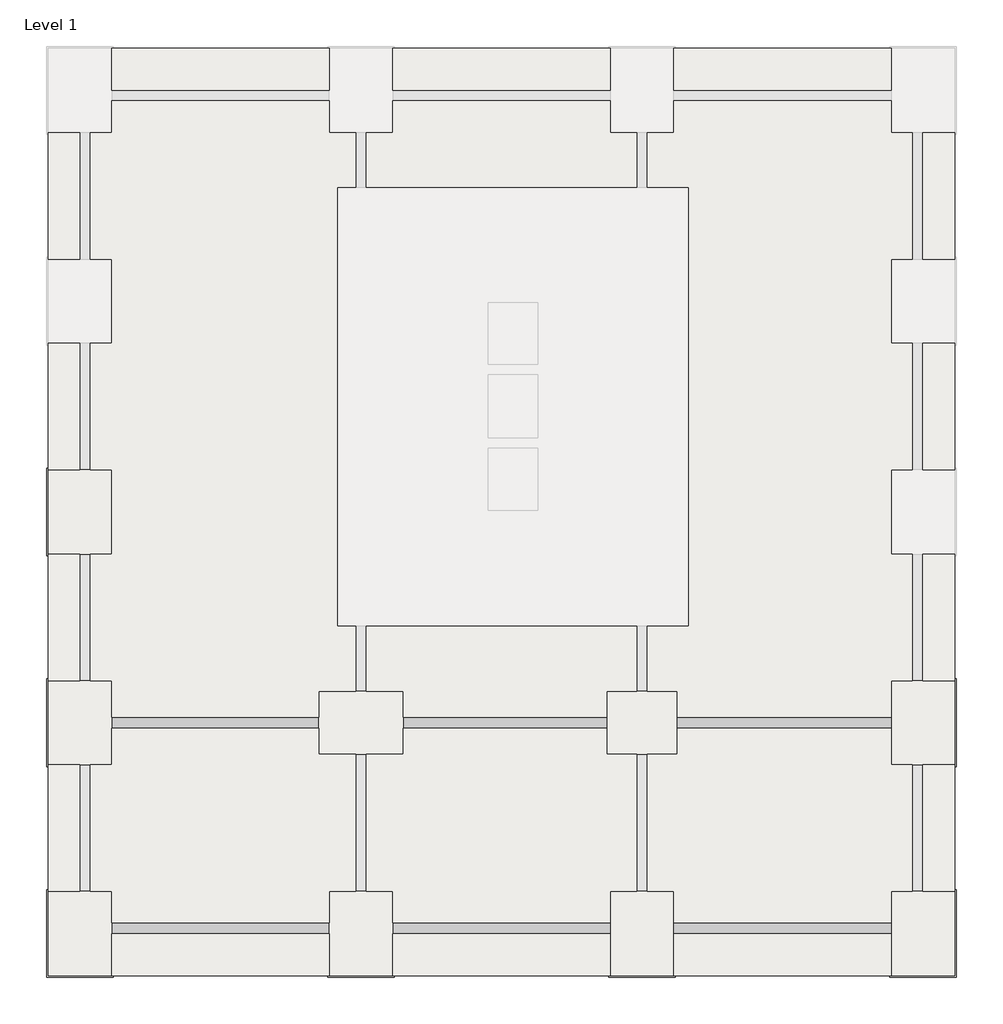
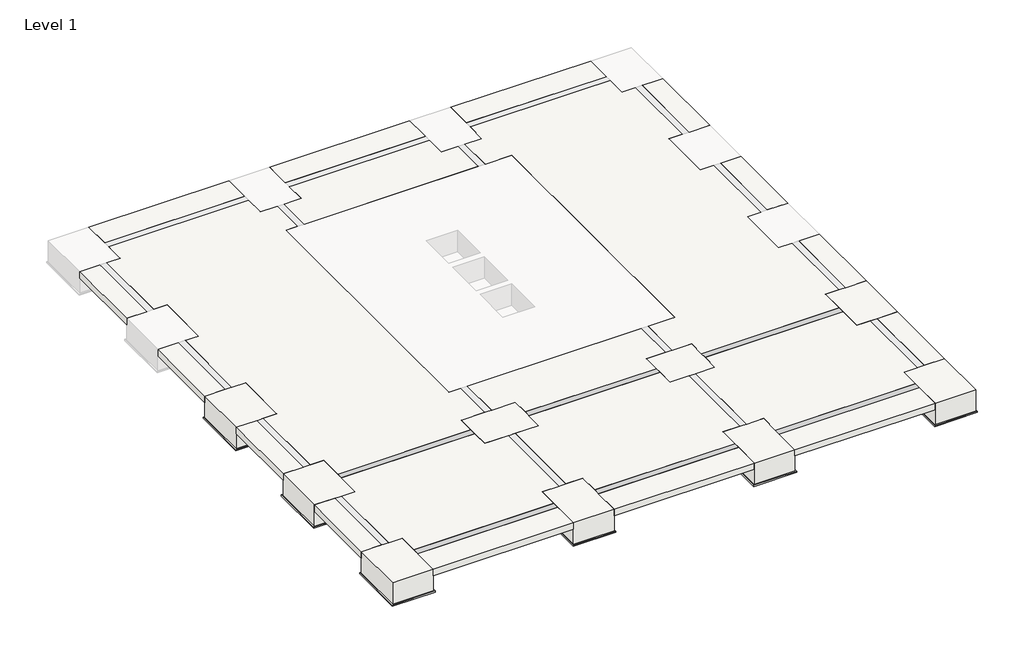
# One storey, part 1 of 2: 10 slabs, 2 beams.
"""IFC4 building model written with IfcOpenShell, lengths in millimetres."""

import ifcopenshell
import ifcopenshell.guid

model = None  # the IFC model being written
_history = None  # IfcOwnerHistory: only IFC2X3 demands one
_inside = {}  # id of a spatial element -> (the spatial element, [elements in it])
_under = {}  # id of a project, library or spatial element -> (it, [spatial elements below it])
_declared = {}  # id of a project -> (the project, [libraries it declares])
_typed = {}  # id of a type object -> (the type object, [elements of that type])
_made_of = {}  # id of a material, layer set ... -> (it, [elements and type objects made of it])


def new_model(schema):
    """Start an empty IFC model of exactly this schema.

    Asked for "IFC4X3", IfcOpenShell would pick the latest addendum, in which some entities
    have other attributes; the version numbers below select the first issue.
    IFC2X3 requires an IfcOwnerHistory on every rooted entity: one is made here for all.
    """
    global model, _history
    if schema == "IFC4X3":
        model = ifcopenshell.file(schema_version=(4, 3, 0, 0))
    else:
        model = ifcopenshell.file(schema=schema)
    _inside.clear()
    _under.clear()
    _declared.clear()
    _typed.clear()
    _made_of.clear()
    _history = None
    if model.schema == "IFC2X3":
        org = make("IfcOrganization", Name="unknown")
        user = make(
            "IfcPersonAndOrganization",
            ThePerson=make("IfcPerson", FamilyName="unknown"),
            TheOrganization=org,
        )
        app = make(
            "IfcApplication",
            ApplicationDeveloper=org,
            Version="unknown",
            ApplicationFullName="unknown",
            ApplicationIdentifier="unknown",
        )
        _history = make(
            "IfcOwnerHistory",
            OwningUser=user,
            OwningApplication=app,
            ChangeAction="ADDED",
            CreationDate=0,
        )
    return model


def make(cls, **values):
    """One entity of the class cls with the attributes given. An attribute that is None is left unset."""
    return model.create_entity(
        cls, **{name: value for name, value in values.items() if value is not None}
    )


def rooted(cls, **values):
    """An entity with a GlobalId (a new one), such as an element, a storey or a relation."""
    return make(cls, GlobalId=ifcopenshell.guid.new(), OwnerHistory=_history, **values)


def si_unit(unit_type, name, prefix=None):
    """IfcSIUnit, for example si_unit("LENGTHUNIT", "METRE", prefix="MILLI")."""
    return make("IfcSIUnit", UnitType=unit_type, Prefix=prefix, Name=name)


def assignment(units):
    """IfcUnitAssignment: the units of a project."""
    return None if units is None else make("IfcUnitAssignment", Units=units)


def point(xyz):
    """IfcCartesianPoint."""
    return None if xyz is None else make("IfcCartesianPoint", Coordinates=xyz)


def direction(xyz):
    """IfcDirection."""
    return None if xyz is None else make("IfcDirection", DirectionRatios=xyz)


def frame(location, z_axis=None, x_axis=None):
    """IfcAxis2Placement3D, a coordinate frame: its origin and axes. An axis left out is left unset."""
    return make(
        "IfcAxis2Placement3D",
        Location=point(location),
        Axis=direction(z_axis),
        RefDirection=direction(x_axis),
    )


def origin():
    """The frame at (0, 0, 0) with its axes left unset."""
    return frame((0.0, 0.0, 0.0))


def place(relative_to, where):
    """IfcLocalPlacement: puts the frame where relative to a parent placement (None: the world)."""
    return make(
        "IfcLocalPlacement", PlacementRelTo=relative_to, RelativePlacement=where
    )


def context(
    kind, dimensions, precision=None, world=None, true_north=None, identifier=None
):
    """IfcGeometricRepresentationContext, for example the 3D "Model" context."""
    return make(
        "IfcGeometricRepresentationContext",
        ContextIdentifier=identifier,
        ContextType=kind,
        CoordinateSpaceDimension=dimensions,
        Precision=precision,
        WorldCoordinateSystem=world,
        TrueNorth=true_north,
    )


def project(units=None, contexts=None):
    """IfcProject with its units and contexts."""
    return rooted(
        "IfcProject",
        Name="project",
        RepresentationContexts=contexts,
        UnitsInContext=assignment(units),
    )


def spatial(cls, under=None, at=None, **own):
    """A site, building, storey or space (cls), placed at a placement, below another one or the project."""
    s = rooted(cls, ObjectPlacement=at, **own)
    if under is not None:
        _under.setdefault(under.id(), (under, []))[1].append(s)
    return s


def polyline(points):
    """IfcPolyline through the points."""
    return make("IfcPolyline", Points=[point(p) for p in points])


def outline(outer, holes=None, kind="AREA"):
    """IfcArbitraryClosedProfileDef: a profile drawn as a closed curve; with holes, ...WithVoids."""
    if holes is None:
        return make("IfcArbitraryClosedProfileDef", ProfileType=kind, OuterCurve=outer)
    return make(
        "IfcArbitraryProfileDefWithVoids",
        ProfileType=kind,
        OuterCurve=outer,
        InnerCurves=holes,
    )


def extrude(swept, where, along, depth):
    """IfcExtrudedAreaSolid: the profile swept, set in the frame where, extruded along a direction by depth."""
    return make(
        "IfcExtrudedAreaSolid",
        SweptArea=swept,
        Position=where,
        ExtrudedDirection=direction(along),
        Depth=depth,
    )


def faces_of(points, faces, orient=None, outer=None):
    """IfcFace entities. A face is a list of loops; a loop is a list of indices into points, from 0.

    orient and outer hold one flag for each loop. By default every Orientation is true, the
    first loop of a face is its IfcFaceOuterBound and the others are IfcFaceBound.
    """
    made = []
    for i, loops in enumerate(faces):
        bounds = []
        for j, loop in enumerate(loops):
            is_outer = j == 0 if outer is None else outer[i][j]
            bounds.append(
                make(
                    "IfcFaceOuterBound" if is_outer else "IfcFaceBound",
                    Bound=make("IfcPolyLoop", Polygon=[points[k] for k in loop]),
                    Orientation=True if orient is None else orient[i][j],
                )
            )
        made.append(make("IfcFace", Bounds=bounds))
    return made


def faceted_brep(points, faces, orient=None, outer=None, voids=None):
    """IfcFacetedBrep: a solid bounded by flat faces; with voids (closed shells), ...WithVoids."""
    shared = [point(p) for p in points]
    hull = make("IfcClosedShell", CfsFaces=faces_of(shared, faces, orient, outer))
    if voids is None:
        return make("IfcFacetedBrep", Outer=hull)
    return make(
        "IfcFacetedBrepWithVoids",
        Outer=hull,
        Voids=[
            make(cls, CfsFaces=faces_of(shared, fs, o, b)) for cls, fs, o, b in voids
        ],
    )


def shape(context_of_items, identifier, shape_type, items):
    """IfcShapeRepresentation: the items that make up one representation, for example the "Body"."""
    return make(
        "IfcShapeRepresentation",
        ContextOfItems=context_of_items,
        RepresentationIdentifier=identifier,
        RepresentationType=shape_type,
        Items=items,
    )


def made_of(thing, what):
    """Note that an element or type object is made of a material, layer set ...; save() writes the relation."""
    if what is not None:
        _made_of.setdefault(what.id(), (what, []))[1].append(thing)
    return thing


def element(
    cls,
    number,
    at=None,
    inside=None,
    cuts=None,
    type_object=None,
    material=None,
    context=None,
    identifier="Body",
    shape_type=None,
    held_by="IfcProductDefinitionShape",
    body=None,
    shapes=None,
    **own,
):
    """One element of the class cls, such as IfcWall. Its Tag is "e" and its number.

    at: its placement. inside: the storey or other place that contains it. cuts: it is an
    opening in that element (IfcRelVoidsElement). A single representation is given by context,
    identifier, shape_type and body (its items); several are given by shapes. held_by: the class
    of the entity that holds the representations. save() writes the other relations.
    """
    e = rooted(cls, Tag="e%d" % number, ObjectPlacement=at, **own)
    if body is not None:
        shapes = [shape(context, identifier, shape_type, body)]
    if shapes is not None:
        e.Representation = make(held_by, Representations=shapes)
    if inside is not None:
        _inside.setdefault(inside.id(), (inside, []))[1].append(e)
    if cuts is not None:
        rooted(
            "IfcRelVoidsElement", RelatingBuildingElement=cuts, RelatedOpeningElement=e
        )
    if type_object is not None:
        _typed.setdefault(type_object.id(), (type_object, []))[1].append(e)
    return made_of(e, material)


def aggregate(whole, parts):
    """IfcRelAggregates: a whole, such as a stair, and the parts it consists of."""
    return rooted("IfcRelAggregates", RelatingObject=whole, RelatedObjects=parts)


def save(model, path):
    """Write the relations noted so far, then the file.

    IfcRelAggregates (storeys below a building ...), IfcRelContainedInSpatialStructure (elements
    in a storey), IfcRelDefinesByType, IfcRelAssociatesMaterial and IfcRelDeclares: one each for
    every whole, place, type object, material and project.
    """
    for whole, parts in _under.values():
        aggregate(whole, parts)
    for where, things in _inside.values():
        rooted(
            "IfcRelContainedInSpatialStructure",
            RelatedElements=things,
            RelatingStructure=where,
        )
    for kind, things in _typed.values():
        rooted("IfcRelDefinesByType", RelatedObjects=things, RelatingType=kind)
    for what, things in _made_of.values():
        rooted("IfcRelAssociatesMaterial", RelatedObjects=things, RelatingMaterial=what)
    for by, libraries in _declared.values():
        rooted("IfcRelDeclares", RelatingContext=by, RelatedDefinitions=libraries)
    model.write(path)


model = new_model("IFC4")

# Units and contexts
model_context = context("Model", 3, world=origin())
ifc_project = project(units=[si_unit("LENGTHUNIT", "METRE", prefix="MILLI")], contexts=[model_context])

# Site, building, storey
site = spatial("IfcSite", under=ifc_project)
building = spatial("IfcBuilding", under=site)
storey = spatial("IfcBuildingStorey", under=building, Name="Level 1", Elevation=0.0)

# Beams
placement = place(None, origin())
element("IfcBeam", 1, ObjectType="M_Concrete-Rectangular Beam : 300 x 600mm", at=placement, inside=storey, context=model_context, shape_type="Brep", body=[
    faceted_brep([(-11186.9856503, -10804.8161303, 0.0), (-4986.9856503, -10804.8161303, 0.0), (-4986.9856503, -10504.8161303, 0.0), (-11186.9856503, -10504.8161303, 0.0), (-4986.9856503, -10504.8161303, -300.0), (-4986.9856503, -10504.8161303, -600.0), (-11186.9856503, -10504.8161303, -600.0), (-11186.9856503, -10504.8161303, -300.0), (-4986.9856503, -10804.8161303, -600.0), (-11186.9856503, -10804.8161303, -600.0), (-11186.9856503, -10804.8161303, -300.0), (-4986.9856503, -10804.8161303, -300.0)], [[[0, 1, 2, 3]], [[3, 2, 4, 5, 6, 7]], [[6, 5, 8, 9]], [[1, 0, 10, 9, 8, 11]], [[0, 3, 7, 6, 9, 10]], [[2, 1, 11, 8, 5, 4]]]),
    faceted_brep([(3013.0143497, -10504.8161303, 0.0), (-3186.9856503, -10504.8161303, 0.0), (-3186.9856503, -10804.8161303, 0.0), (3013.0143497, -10804.8161303, 0.0), (3013.0143497, -10504.8161303, -300.0), (3013.0143497, -10504.8161303, -600.0), (-3186.9856503, -10504.8161303, -600.0), (-3186.9856503, -10504.8161303, -300.0), (3013.0143497, -10804.8161303, -600.0), (-3186.9856503, -10804.8161303, -600.0), (-3186.9856503, -10804.8161303, -300.0), (3013.0143497, -10804.8161303, -300.0)], [[[0, 1, 2, 3]], [[1, 0, 4, 5, 6, 7]], [[6, 5, 8, 9]], [[3, 2, 10, 9, 8, 11]], [[2, 1, 7, 6, 9, 10]], [[0, 3, 11, 8, 5, 4]]]),
    faceted_brep([(4813.0143497, -10504.8161303, 0.0), (4813.0143497, -10804.8161303, 0.0), (11013.0143497, -10804.8161303, 0.0), (11013.0143497, -10504.8161303, 0.0), (4813.0143497, -10504.8161303, -600.0), (4813.0143497, -10504.8161303, -300.0), (11013.0143497, -10504.8161303, -300.0), (11013.0143497, -10504.8161303, -600.0), (4813.0143497, -10804.8161303, -600.0), (11013.0143497, -10804.8161303, -600.0), (4813.0143497, -10804.8161303, -300.0), (11013.0143497, -10804.8161303, -300.0)], [[[0, 1, 2, 3]], [[4, 5, 0, 3, 6, 7]], [[8, 4, 7, 9]], [[1, 10, 8, 9, 11, 2]], [[1, 0, 5, 4, 8, 10]], [[3, 2, 11, 9, 7, 6]]]),
])
element("IfcBeam", 2, ObjectType="M_Concrete-Rectangular Beam : 300 x 600mm", at=placement, inside=storey, context=model_context, shape_type="Brep", body=[
    faceted_brep([(4913.0143497, -4654.8161303, 0.0), (4913.0143497, -4954.8161303, 0.0), (11013.0143497, -4954.8161303, 0.0), (11013.0143497, -4654.8161303, 0.0), (4913.0143497, -4954.8161303, -300.0), (4913.0143497, -4954.8161303, -600.0), (11013.0143497, -4954.8161303, -600.0), (11013.0143497, -4954.8161303, -300.0), (4913.0143497, -4654.8161303, -600.0), (11013.0143497, -4654.8161303, -600.0), (4913.0143497, -4654.8161303, -300.0), (11013.0143497, -4654.8161303, -300.0)], [[[0, 1, 2, 3]], [[1, 4, 5, 6, 7, 2]], [[5, 8, 9, 6]], [[8, 10, 0, 3, 11, 9]], [[1, 0, 10, 8, 5, 4]], [[3, 2, 7, 6, 9, 11]]]),
    faceted_brep([(-11186.9856503, -4954.8161303, 0.0), (-11186.9856503, -4654.8161303, 0.0), (-11186.9856503, -4654.8161303, -300.0), (-11186.9856503, -4654.8161303, -600.0), (-11186.9856503, -4954.8161303, -600.0), (-11186.9856503, -4954.8161303, -300.0), (-5286.9856503, -4654.8161303, 0.0), (-5286.9856503, -4954.8161303, 0.0), (-5286.9856503, -4954.8161303, -300.0), (-5286.9856503, -4954.8161303, -600.0), (-5286.9856503, -4654.8161303, -600.0), (-5286.9856503, -4654.8161303, -300.0)], [[[0, 1, 2, 3, 4, 5]], [[6, 7, 8, 9, 10, 11]], [[1, 0, 7, 6]], [[0, 5, 4, 9, 8, 7]], [[4, 3, 10, 9]], [[3, 2, 1, 6, 11, 10]]]),
    faceted_brep([(-2886.9856503, -4954.8161303, 0.0), (-2886.9856503, -4654.8161303, 0.0), (-2886.9856503, -4654.8161303, -300.0), (-2886.9856503, -4654.8161303, -600.0), (-2886.9856503, -4954.8161303, -600.0), (-2886.9856503, -4954.8161303, -300.0), (2913.0143497, -4654.8161303, 0.0), (2913.0143497, -4954.8161303, 0.0), (2913.0143497, -4954.8161303, -300.0), (2913.0143497, -4954.8161303, -600.0), (2913.0143497, -4654.8161303, -600.0), (2913.0143497, -4654.8161303, -300.0)], [[[0, 1, 2, 3, 4, 5]], [[6, 7, 8, 9, 10, 11]], [[1, 0, 7, 6]], [[0, 5, 4, 9, 8, 7]], [[4, 3, 10, 9]], [[3, 2, 1, 6, 11, 10]]]),
])

# Slabs
element("IfcSlab", 3, ObjectType="M_Footing-Rectangular : 2000 x 1800 x 1000mm", at=placement, inside=storey, context=model_context, shape_type="SolidModel", body=[
    faceted_brep([(2913.0143497, -3904.8161303, 0.0), (2913.0143497, -4654.8161303, 0.0), (2913.0143497, -4954.8161303, 0.0), (2913.0143497, -5704.8161303, 0.0), (3763.0143497, -5704.8161303, 0.0), (4063.0143497, -5704.8161303, 0.0), (4913.0143497, -5704.8161303, 0.0), (4913.0143497, -4954.8161303, 0.0), (4913.0143497, -4654.8161303, 0.0), (4913.0143497, -3904.8161303, 0.0), (4063.0143497, -3904.8161303, 0.0), (3763.0143497, -3904.8161303, 0.0), (2913.0143497, -3904.8161303, -1000.0), (4913.0143497, -3904.8161303, -1000.0), (4913.0143497, -5704.8161303, -1000.0), (2913.0143497, -5704.8161303, -1000.0), (2913.0143497, -3904.8161303, -300.0), (2913.0143497, -5704.8161303, -300.0), (4913.0143497, -5704.8161303, -300.0), (4913.0143497, -3904.8161303, -300.0)], [[[0, 1, 2, 3, 4, 5, 6, 7, 8, 9, 10, 11]], [[12, 13, 14, 15]], [[3, 2, 1, 0, 16, 12, 15, 17]], [[6, 5, 4, 3, 17, 15, 14, 18]], [[9, 8, 7, 6, 18, 14, 13, 19]], [[0, 11, 10, 9, 19, 13, 12, 16]]]),
    extrude(outline(polyline([(2863.0143497, -3854.8161303), (4963.0143497, -3854.8161303), (4963.0143497, -5754.8161303), (2863.0143497, -5754.8161303), (2863.0143497, -3854.8161303)])), frame((0.0, 0.0, -1050.0), z_axis=(0.0, 0.0, 1.0), x_axis=(1.0, 0.0, 0.0)), (0.0, 0.0, 1.0), 50.0),
])
element("IfcSlab", 4, ObjectType="M_Footing-Rectangular : 2400 x 1800 x 1000mm", at=placement, inside=storey, context=model_context, shape_type="SolidModel", body=[
    faceted_brep([(-11186.9856503, 2395.1838697, 0.0), (-11786.9856503, 2395.1838697, 0.0), (-12086.9856503, 2395.1838697, 0.0), (-12986.9856503, 2395.1838697, 0.0), (-12986.9856503, -4.8161303, 0.0), (-12086.9856503, -4.8161303, 0.0), (-11786.9856503, -4.8161303, 0.0), (-11186.9856503, -4.8161303, 0.0), (-11186.9856503, 2395.1838697, -1000.0), (-11186.9856503, -4.8161303, -1000.0), (-12986.9856503, -4.8161303, -1000.0), (-12986.9856503, 2395.1838697, -1000.0), (-11186.9856503, 2395.1838697, -300.0), (-12986.9856503, 2395.1838697, -300.0), (-12986.9856503, -4.8161303, -300.0), (-11186.9856503, -4.8161303, -300.0)], [[[0, 1, 2, 3, 4, 5, 6, 7]], [[8, 9, 10, 11]], [[3, 2, 1, 0, 12, 8, 11, 13]], [[4, 3, 13, 11, 10, 14]], [[7, 6, 5, 4, 14, 10, 9, 15]], [[0, 7, 15, 9, 8, 12]]]),
    extrude(outline(polyline([(-11136.9856503, 2445.1838697), (-11136.9856503, -54.8161303), (-13036.9856503, -54.8161303), (-13036.9856503, 2445.1838697), (-11136.9856503, 2445.1838697)])), frame((0.0, 0.0, -1050.0), z_axis=(0.0, 0.0, 1.0), x_axis=(1.0, 0.0, 0.0)), (0.0, 0.0, 1.0), 50.0),
])
element("IfcSlab", 5, ObjectType="M_Footing-Rectangular : 2400 x 1800 x 1000mm", at=placement, inside=storey, context=model_context, shape_type="SolidModel", body=[
    faceted_brep([(-11186.9856503, -3604.8161303, 0.0), (-11786.9856503, -3604.8161303, 0.0), (-12086.9856503, -3604.8161303, 0.0), (-12986.9856503, -3604.8161303, 0.0), (-12986.9856503, -6004.8161303, 0.0), (-12086.9856503, -6004.8161303, 0.0), (-11786.9856503, -6004.8161303, 0.0), (-11186.9856503, -6004.8161303, 0.0), (-11186.9856503, -4954.8161303, 0.0), (-11186.9856503, -4654.8161303, 0.0), (-11186.9856503, -3604.8161303, -1000.0), (-11186.9856503, -6004.8161303, -1000.0), (-12986.9856503, -6004.8161303, -1000.0), (-12986.9856503, -3604.8161303, -1000.0), (-11186.9856503, -3604.8161303, -300.0), (-12986.9856503, -3604.8161303, -300.0), (-12986.9856503, -6004.8161303, -300.0), (-11186.9856503, -6004.8161303, -300.0)], [[[0, 1, 2, 3, 4, 5, 6, 7, 8, 9]], [[10, 11, 12, 13]], [[3, 2, 1, 0, 14, 10, 13, 15]], [[4, 3, 15, 13, 12, 16]], [[7, 6, 5, 4, 16, 12, 11, 17]], [[0, 9, 8, 7, 17, 11, 10, 14]]]),
    extrude(outline(polyline([(-11136.9856503, -3554.8161303), (-11136.9856503, -6054.8161303), (-13036.9856503, -6054.8161303), (-13036.9856503, -3554.8161303), (-11136.9856503, -3554.8161303)])), frame((0.0, 0.0, -1050.0), z_axis=(0.0, 0.0, 1.0), x_axis=(1.0, 0.0, 0.0)), (0.0, 0.0, 1.0), 50.0),
])
element("IfcSlab", 6, ObjectType="M_Footing-Rectangular : 2400 x 1800 x 1000mm", at=placement, inside=storey, context=model_context, shape_type="SolidModel", body=[
    faceted_brep([(-11186.9856503, -9604.8161303, 0.0), (-11786.9856503, -9604.8161303, 0.0), (-12086.9856503, -9604.8161303, 0.0), (-12986.9856503, -9604.8161303, 0.0), (-12986.9856503, -12004.8161303, 0.0), (-11186.9856503, -12004.8161303, 0.0), (-11186.9856503, -10804.8161303, 0.0), (-11186.9856503, -10504.8161303, 0.0), (-11186.9856503, -9604.8161303, -1000.0), (-11186.9856503, -12004.8161303, -1000.0), (-12986.9856503, -12004.8161303, -1000.0), (-12986.9856503, -9604.8161303, -1000.0), (-11186.9856503, -9604.8161303, -300.0), (-12986.9856503, -9604.8161303, -300.0), (-11186.9856503, -12004.8161303, -300.0)], [[[0, 1, 2, 3, 4, 5, 6, 7]], [[8, 9, 10, 11]], [[3, 2, 1, 0, 12, 8, 11, 13]], [[4, 3, 13, 11, 10]], [[5, 4, 10, 9, 14]], [[0, 7, 6, 5, 14, 9, 8, 12]]]),
    extrude(outline(polyline([(-11136.9856503, -9554.8161303), (-11136.9856503, -12054.8161303), (-13036.9856503, -12054.8161303), (-13036.9856503, -9554.8161303), (-11136.9856503, -9554.8161303)])), frame((0.0, 0.0, -1050.0), z_axis=(0.0, 0.0, 1.0), x_axis=(1.0, 0.0, 0.0)), (0.0, 0.0, 1.0), 50.0),
])
element("IfcSlab", 7, ObjectType="M_Footing-Rectangular : 2400 x 1800 x 1000mm", at=placement, inside=storey, context=model_context, shape_type="SolidModel", body=[
    faceted_brep([(-5286.9856503, -3904.8161303, 0.0), (-5286.9856503, -4654.8161303, 0.0), (-5286.9856503, -4954.8161303, 0.0), (-5286.9856503, -5704.8161303, 0.0), (-4236.9856503, -5704.8161303, 0.0), (-3936.9856503, -5704.8161303, 0.0), (-2886.9856503, -5704.8161303, 0.0), (-2886.9856503, -4954.8161303, 0.0), (-2886.9856503, -4654.8161303, 0.0), (-2886.9856503, -3904.8161303, 0.0), (-3936.9856503, -3904.8161303, 0.0), (-4236.9856503, -3904.8161303, 0.0), (-5286.9856503, -3904.8161303, -1000.0), (-2886.9856503, -3904.8161303, -1000.0), (-2886.9856503, -5704.8161303, -1000.0), (-5286.9856503, -5704.8161303, -1000.0), (-5286.9856503, -3904.8161303, -300.0), (-5286.9856503, -5704.8161303, -300.0), (-2886.9856503, -5704.8161303, -300.0), (-2886.9856503, -3904.8161303, -300.0)], [[[0, 1, 2, 3, 4, 5, 6, 7, 8, 9, 10, 11]], [[12, 13, 14, 15]], [[3, 2, 1, 0, 16, 12, 15, 17]], [[6, 5, 4, 3, 17, 15, 14, 18]], [[9, 8, 7, 6, 18, 14, 13, 19]], [[0, 11, 10, 9, 19, 13, 12, 16]]]),
    extrude(outline(polyline([(-5336.9856503, -3854.8161303), (-2836.9856503, -3854.8161303), (-2836.9856503, -5754.8161303), (-5336.9856503, -5754.8161303), (-5336.9856503, -3854.8161303)])), frame((0.0, 0.0, -1050.0), z_axis=(0.0, 0.0, 1.0), x_axis=(1.0, 0.0, 0.0)), (0.0, 0.0, 1.0), 50.0),
])
element("IfcSlab", 8, ObjectType="M_Footing-Rectangular : 2400 x 1800 x 1000mm", at=placement, inside=storey, context=model_context, shape_type="SolidModel", body=[
    faceted_brep([(-3186.9856503, -9604.8161303, 0.0), (-3936.9856503, -9604.8161303, 0.0), (-4236.9856503, -9604.8161303, 0.0), (-4986.9856503, -9604.8161303, 0.0), (-4986.9856503, -10504.8161303, 0.0), (-4986.9856503, -10804.8161303, 0.0), (-4986.9856503, -12004.8161303, 0.0), (-3186.9856503, -12004.8161303, 0.0), (-3186.9856503, -10804.8161303, 0.0), (-3186.9856503, -10504.8161303, 0.0), (-3186.9856503, -9604.8161303, -1000.0), (-3186.9856503, -12004.8161303, -1000.0), (-4986.9856503, -12004.8161303, -1000.0), (-4986.9856503, -9604.8161303, -1000.0), (-3186.9856503, -9604.8161303, -300.0), (-4986.9856503, -9604.8161303, -300.0), (-4986.9856503, -12004.8161303, -300.0), (-3186.9856503, -12004.8161303, -300.0)], [[[0, 1, 2, 3, 4, 5, 6, 7, 8, 9]], [[10, 11, 12, 13]], [[3, 2, 1, 0, 14, 10, 13, 15]], [[6, 5, 4, 3, 15, 13, 12, 16]], [[7, 6, 16, 12, 11, 17]], [[0, 9, 8, 7, 17, 11, 10, 14]]]),
    extrude(outline(polyline([(-3136.9856503, -9554.8161303), (-3136.9856503, -12054.8161303), (-5036.9856503, -12054.8161303), (-5036.9856503, -9554.8161303), (-3136.9856503, -9554.8161303)])), frame((0.0, 0.0, -1050.0), z_axis=(0.0, 0.0, 1.0), x_axis=(1.0, 0.0, 0.0)), (0.0, 0.0, 1.0), 50.0),
])
element("IfcSlab", 9, ObjectType="M_Footing-Rectangular : 2400 x 1800 x 1000mm", at=placement, inside=storey, context=model_context, shape_type="SolidModel", body=[
    faceted_brep([(4813.0143497, -9604.8161303, 0.0), (4063.0143497, -9604.8161303, 0.0), (3763.0143497, -9604.8161303, 0.0), (3013.0143497, -9604.8161303, 0.0), (3013.0143497, -10504.8161303, 0.0), (3013.0143497, -10804.8161303, 0.0), (3013.0143497, -12004.8161303, 0.0), (4813.0143497, -12004.8161303, 0.0), (4813.0143497, -10804.8161303, 0.0), (4813.0143497, -10504.8161303, 0.0), (4813.0143497, -9604.8161303, -1000.0), (4813.0143497, -12004.8161303, -1000.0), (3013.0143497, -12004.8161303, -1000.0), (3013.0143497, -9604.8161303, -1000.0), (4813.0143497, -9604.8161303, -300.0), (3013.0143497, -9604.8161303, -300.0), (3013.0143497, -12004.8161303, -300.0), (4813.0143497, -12004.8161303, -300.0)], [[[0, 1, 2, 3, 4, 5, 6, 7, 8, 9]], [[10, 11, 12, 13]], [[3, 2, 1, 0, 14, 10, 13, 15]], [[6, 5, 4, 3, 15, 13, 12, 16]], [[7, 6, 16, 12, 11, 17]], [[0, 9, 8, 7, 17, 11, 10, 14]]]),
    extrude(outline(polyline([(4863.0143497, -9554.8161303), (4863.0143497, -12054.8161303), (2963.0143497, -12054.8161303), (2963.0143497, -9554.8161303), (4863.0143497, -9554.8161303)])), frame((0.0, 0.0, -1050.0), z_axis=(0.0, 0.0, 1.0), x_axis=(1.0, 0.0, 0.0)), (0.0, 0.0, 1.0), 50.0),
])
element("IfcSlab", 10, ObjectType="M_Footing-Rectangular : 2400 x 1800 x 1000mm", at=placement, inside=storey, context=model_context, shape_type="SolidModel", body=[
    faceted_brep([(12813.0143497, -3604.8161303, 0.0), (11913.0143497, -3604.8161303, 0.0), (11613.0143497, -3604.8161303, 0.0), (11013.0143497, -3604.8161303, 0.0), (11013.0143497, -4654.8161303, 0.0), (11013.0143497, -4954.8161303, 0.0), (11013.0143497, -6004.8161303, 0.0), (11613.0143497, -6004.8161303, 0.0), (11913.0143497, -6004.8161303, 0.0), (12813.0143497, -6004.8161303, 0.0), (12813.0143497, -3604.8161303, -1000.0), (12813.0143497, -6004.8161303, -1000.0), (11013.0143497, -6004.8161303, -1000.0), (11013.0143497, -3604.8161303, -1000.0), (12813.0143497, -3604.8161303, -300.0), (11013.0143497, -3604.8161303, -300.0), (11013.0143497, -6004.8161303, -300.0), (12813.0143497, -6004.8161303, -300.0)], [[[0, 1, 2, 3, 4, 5, 6, 7, 8, 9]], [[10, 11, 12, 13]], [[3, 2, 1, 0, 14, 10, 13, 15]], [[6, 5, 4, 3, 15, 13, 12, 16]], [[9, 8, 7, 6, 16, 12, 11, 17]], [[0, 9, 17, 11, 10, 14]]]),
    extrude(outline(polyline([(12863.0143497, -3554.8161303), (12863.0143497, -6054.8161303), (10963.0143497, -6054.8161303), (10963.0143497, -3554.8161303), (12863.0143497, -3554.8161303)])), frame((0.0, 0.0, -1050.0), z_axis=(0.0, 0.0, 1.0), x_axis=(1.0, 0.0, 0.0)), (0.0, 0.0, 1.0), 50.0),
])
element("IfcSlab", 11, ObjectType="M_Footing-Rectangular : 2400 x 1800 x 1000mm", at=placement, inside=storey, context=model_context, shape_type="SolidModel", body=[
    faceted_brep([(12813.0143497, -9604.8161303, 0.0), (11913.0143497, -9604.8161303, 0.0), (11613.0143497, -9604.8161303, 0.0), (11013.0143497, -9604.8161303, 0.0), (11013.0143497, -10504.8161303, 0.0), (11013.0143497, -10804.8161303, 0.0), (11013.0143497, -12004.8161303, 0.0), (12813.0143497, -12004.8161303, 0.0), (12813.0143497, -9604.8161303, -1000.0), (12813.0143497, -12004.8161303, -1000.0), (11013.0143497, -12004.8161303, -1000.0), (11013.0143497, -9604.8161303, -1000.0), (12813.0143497, -9604.8161303, -300.0), (11013.0143497, -9604.8161303, -300.0), (11013.0143497, -12004.8161303, -300.0)], [[[0, 1, 2, 3, 4, 5, 6, 7]], [[8, 9, 10, 11]], [[3, 2, 1, 0, 12, 8, 11, 13]], [[6, 5, 4, 3, 13, 11, 10, 14]], [[7, 6, 14, 10, 9]], [[0, 7, 9, 8, 12]]]),
    extrude(outline(polyline([(12863.0143497, -9554.8161303), (12863.0143497, -12054.8161303), (10963.0143497, -12054.8161303), (10963.0143497, -9554.8161303), (12863.0143497, -9554.8161303)])), frame((0.0, 0.0, -1050.0), z_axis=(0.0, 0.0, 1.0), x_axis=(1.0, 0.0, 0.0)), (0.0, 0.0, 1.0), 50.0),
])
element("IfcSlab", 12, ObjectType="S 300mm", at=placement, inside=storey, context=model_context, shape_type="SweptSolid", body=[
    extrude(outline(polyline([(5243.1383528, -2054.8161303), (5243.1383528, 10445.1838697), (4063.0143497, 10445.1838697), (4063.0143497, 11995.1838697), (4813.0143497, 11995.1838697), (4813.0143497, 12895.1838697), (11013.0143497, 12895.1838697), (11013.0143497, 11995.1838697), (11613.0143497, 11995.1838697), (11613.0143497, 8395.1838697), (11013.0143497, 8395.1838697), (11013.0143497, 5995.1838697), (11613.0143497, 5995.1838697), (11613.0143497, 2395.1838697), (11013.0143497, 2395.1838697), (11013.0143497, -4.8161303), (11613.0143497, -4.8161303), (11613.0143497, -3604.8161303), (11013.0143497, -3604.8161303), (11013.0143497, -4654.8161303), (4913.0143497, -4654.8161303), (4913.0143497, -3904.8161303), (4063.0143497, -3904.8161303), (4063.0143497, -2054.8161303), (5243.1383528, -2054.8161303)])), frame((0.0, 0.0, -300.0), z_axis=(0.0, 0.0, 1.0), x_axis=(1.0, 0.0, 0.0)), (0.0, 0.0, 1.0), 300.0),
    extrude(outline(polyline([(-4756.8616472, 10445.1838697), (-4756.8616472, -2054.8161303), (-4236.9856503, -2054.8161303), (-4236.9856503, -3904.8161303), (-5286.9856503, -3904.8161303), (-5286.9856503, -4654.8161303), (-11186.9856503, -4654.8161303), (-11186.9856503, -3604.8161303), (-11786.9856503, -3604.8161303), (-11786.9856503, -4.8161303), (-11186.9856503, -4.8161303), (-11186.9856503, 2395.1838697), (-11786.9856503, 2395.1838697), (-11786.9856503, 5995.1838697), (-11186.9856503, 5995.1838697), (-11186.9856503, 8395.1838697), (-11786.9856503, 8395.1838697), (-11786.9856503, 11995.1838697), (-11186.9856503, 11995.1838697), (-11186.9856503, 12895.1838697), (-4986.9856503, 12895.1838697), (-4986.9856503, 11995.1838697), (-4236.9856503, 11995.1838697), (-4236.9856503, 10445.1838697), (-4756.8616472, 10445.1838697)])), frame((0.0, 0.0, -300.0), z_axis=(0.0, 0.0, 1.0), x_axis=(1.0, 0.0, 0.0)), (0.0, 0.0, 1.0), 300.0),
    extrude(outline(polyline([(12813.0143497, -6004.8161303), (12813.0143497, -9604.8161303), (11913.0143497, -9604.8161303), (11913.0143497, -6004.8161303), (12813.0143497, -6004.8161303)])), frame((0.0, 0.0, -300.0), z_axis=(0.0, 0.0, 1.0), x_axis=(1.0, 0.0, 0.0)), (0.0, 0.0, 1.0), 300.0),
    extrude(outline(polyline([(12813.0143497, -4.8161303), (12813.0143497, -3604.8161303), (11913.0143497, -3604.8161303), (11913.0143497, -4.8161303), (12813.0143497, -4.8161303)])), frame((0.0, 0.0, -300.0), z_axis=(0.0, 0.0, 1.0), x_axis=(1.0, 0.0, 0.0)), (0.0, 0.0, 1.0), 300.0),
    extrude(outline(polyline([(12813.0143497, 5995.1838697), (12813.0143497, 2395.1838697), (11913.0143497, 2395.1838697), (11913.0143497, 5995.1838697), (12813.0143497, 5995.1838697)])), frame((0.0, 0.0, -300.0), z_axis=(0.0, 0.0, 1.0), x_axis=(1.0, 0.0, 0.0)), (0.0, 0.0, 1.0), 300.0),
    extrude(outline(polyline([(12813.0143497, 11995.1838697), (12813.0143497, 8395.1838697), (11913.0143497, 8395.1838697), (11913.0143497, 11995.1838697), (12813.0143497, 11995.1838697)])), frame((0.0, 0.0, -300.0), z_axis=(0.0, 0.0, 1.0), x_axis=(1.0, 0.0, 0.0)), (0.0, 0.0, 1.0), 300.0),
    extrude(outline(polyline([(11013.0143497, -12004.8161303), (4813.0143497, -12004.8161303), (4813.0143497, -10804.8161303), (11013.0143497, -10804.8161303), (11013.0143497, -12004.8161303)])), frame((0.0, 0.0, -300.0), z_axis=(0.0, 0.0, 1.0), x_axis=(1.0, 0.0, 0.0)), (0.0, 0.0, 1.0), 300.0),
    extrude(outline(polyline([(4813.0143497, 14395.1838697), (11013.0143497, 14395.1838697), (11013.0143497, 13195.1838697), (4813.0143497, 13195.1838697), (4813.0143497, 14395.1838697)])), frame((0.0, 0.0, -300.0), z_axis=(0.0, 0.0, 1.0), x_axis=(1.0, 0.0, 0.0)), (0.0, 0.0, 1.0), 300.0),
    extrude(outline(polyline([(3013.0143497, -12004.8161303), (-3186.9856503, -12004.8161303), (-3186.9856503, -10804.8161303), (3013.0143497, -10804.8161303), (3013.0143497, -12004.8161303)])), frame((0.0, 0.0, -300.0), z_axis=(0.0, 0.0, 1.0), x_axis=(1.0, 0.0, 0.0)), (0.0, 0.0, 1.0), 300.0),
    extrude(outline(polyline([(-3186.9856503, 14395.1838697), (3013.0143497, 14395.1838697), (3013.0143497, 13195.1838697), (-3186.9856503, 13195.1838697), (-3186.9856503, 14395.1838697)])), frame((0.0, 0.0, -300.0), z_axis=(0.0, 0.0, 1.0), x_axis=(1.0, 0.0, 0.0)), (0.0, 0.0, 1.0), 300.0),
    extrude(outline(polyline([(-4986.9856503, -12004.8161303), (-11186.9856503, -12004.8161303), (-11186.9856503, -10804.8161303), (-4986.9856503, -10804.8161303), (-4986.9856503, -12004.8161303)])), frame((0.0, 0.0, -300.0), z_axis=(0.0, 0.0, 1.0), x_axis=(1.0, 0.0, 0.0)), (0.0, 0.0, 1.0), 300.0),
    extrude(outline(polyline([(-12986.9856503, -9604.8161303), (-12986.9856503, -6004.8161303), (-12086.9856503, -6004.8161303), (-12086.9856503, -9604.8161303), (-12986.9856503, -9604.8161303)])), frame((0.0, 0.0, -300.0), z_axis=(0.0, 0.0, 1.0), x_axis=(1.0, 0.0, 0.0)), (0.0, 0.0, 1.0), 300.0),
    extrude(outline(polyline([(-12986.9856503, -3604.8161303), (-12986.9856503, -4.8161303), (-12086.9856503, -4.8161303), (-12086.9856503, -3604.8161303), (-12986.9856503, -3604.8161303)])), frame((0.0, 0.0, -300.0), z_axis=(0.0, 0.0, 1.0), x_axis=(1.0, 0.0, 0.0)), (0.0, 0.0, 1.0), 300.0),
    extrude(outline(polyline([(-11186.9856503, 14395.1838697), (-4986.9856503, 14395.1838697), (-4986.9856503, 13195.1838697), (-11186.9856503, 13195.1838697), (-11186.9856503, 14395.1838697)])), frame((0.0, 0.0, -300.0), z_axis=(0.0, 0.0, 1.0), x_axis=(1.0, 0.0, 0.0)), (0.0, 0.0, 1.0), 300.0),
    extrude(outline(polyline([(-12986.9856503, 8395.1838697), (-12986.9856503, 11995.1838697), (-12086.9856503, 11995.1838697), (-12086.9856503, 8395.1838697), (-12986.9856503, 8395.1838697)])), frame((0.0, 0.0, -300.0), z_axis=(0.0, 0.0, 1.0), x_axis=(1.0, 0.0, 0.0)), (0.0, 0.0, 1.0), 300.0),
    extrude(outline(polyline([(-12986.9856503, 2395.1838697), (-12986.9856503, 5995.1838697), (-12086.9856503, 5995.1838697), (-12086.9856503, 2395.1838697), (-12986.9856503, 2395.1838697)])), frame((0.0, 0.0, -300.0), z_axis=(0.0, 0.0, 1.0), x_axis=(1.0, 0.0, 0.0)), (0.0, 0.0, 1.0), 300.0),
    extrude(outline(polyline([(-3186.9856503, 11995.1838697), (-3186.9856503, 12895.1838697), (3013.0143497, 12895.1838697), (3013.0143497, 11995.1838697), (3763.0143497, 11995.1838697), (3763.0143497, 10445.1838697), (-3936.9856503, 10445.1838697), (-3936.9856503, 11995.1838697), (-3186.9856503, 11995.1838697)])), frame((0.0, 0.0, -300.0), z_axis=(0.0, 0.0, 1.0), x_axis=(1.0, 0.0, 0.0)), (0.0, 0.0, 1.0), 300.0),
    extrude(outline(polyline([(11613.0143497, -9604.8161303), (11013.0143497, -9604.8161303), (11013.0143497, -10504.8161303), (4813.0143497, -10504.8161303), (4813.0143497, -9604.8161303), (4063.0143497, -9604.8161303), (4063.0143497, -5704.8161303), (4913.0143497, -5704.8161303), (4913.0143497, -4954.8161303), (11013.0143497, -4954.8161303), (11013.0143497, -6004.8161303), (11613.0143497, -6004.8161303), (11613.0143497, -9604.8161303)])), frame((0.0, 0.0, -300.0), z_axis=(0.0, 0.0, 1.0), x_axis=(1.0, 0.0, 0.0)), (0.0, 0.0, 1.0), 300.0),
    extrude(outline(polyline([(3013.0143497, -9604.8161303), (3013.0143497, -10504.8161303), (-3186.9856503, -10504.8161303), (-3186.9856503, -9604.8161303), (-3936.9856503, -9604.8161303), (-3936.9856503, -5704.8161303), (-2886.9856503, -5704.8161303), (-2886.9856503, -4954.8161303), (2913.0143497, -4954.8161303), (2913.0143497, -5704.8161303), (3763.0143497, -5704.8161303), (3763.0143497, -9604.8161303), (3013.0143497, -9604.8161303)])), frame((0.0, 0.0, -300.0), z_axis=(0.0, 0.0, 1.0), x_axis=(1.0, 0.0, 0.0)), (0.0, 0.0, 1.0), 300.0),
    extrude(outline(polyline([(-4986.9856503, -9604.8161303), (-4986.9856503, -10504.8161303), (-11186.9856503, -10504.8161303), (-11186.9856503, -9604.8161303), (-11786.9856503, -9604.8161303), (-11786.9856503, -6004.8161303), (-11186.9856503, -6004.8161303), (-11186.9856503, -4954.8161303), (-5286.9856503, -4954.8161303), (-5286.9856503, -5704.8161303), (-4236.9856503, -5704.8161303), (-4236.9856503, -9604.8161303), (-4986.9856503, -9604.8161303)])), frame((0.0, 0.0, -300.0), z_axis=(0.0, 0.0, 1.0), x_axis=(1.0, 0.0, 0.0)), (0.0, 0.0, 1.0), 300.0),
    extrude(outline(polyline([(2913.0143497, -3904.8161303), (2913.0143497, -4654.8161303), (-2886.9856503, -4654.8161303), (-2886.9856503, -3904.8161303), (-3936.9856503, -3904.8161303), (-3936.9856503, -2054.8161303), (3763.0143497, -2054.8161303), (3763.0143497, -3904.8161303), (2913.0143497, -3904.8161303)])), frame((0.0, 0.0, -300.0), z_axis=(0.0, 0.0, 1.0), x_axis=(1.0, 0.0, 0.0)), (0.0, 0.0, 1.0), 300.0),
])

save(model, "model.ifc")
